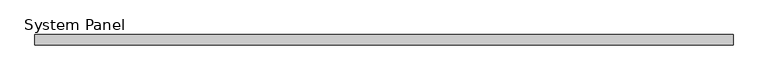
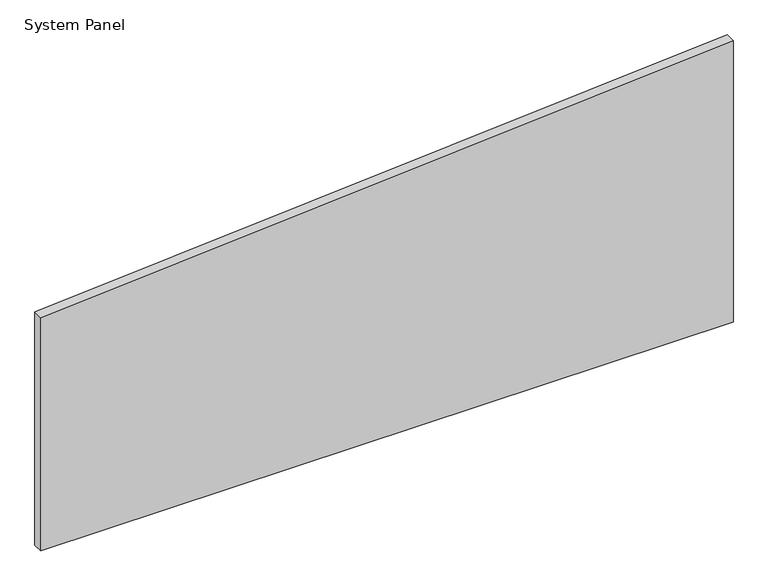
"""IFC4 building model written with IfcOpenShell, lengths in millimetres: plate geometry, System Panel."""

from ifc_helpers import new_model, si_unit, frame, origin, place, context, project, spatial, polyline, outline, extrude, source, transform, mapped, element, save


def system_panel_e1b9ec5f(model_context):
    return source(origin(), model_context, "Body", "SweptSolid", [
        extrude(outline(polyline([(0.0, -668.2239754), (0.0, 668.2239754), (574.4154637, 668.2239754), (476.0464353, -668.2239754), (0.0, -668.2239754)])), frame((0.0, -10.0, 0.0), z_axis=(0.0, 1.0, 0.0), x_axis=(0.0, 0.0, 1.0)), (0.0, 0.0, 1.0), 20.0),
    ])


if __name__ == "__main__":
    model = new_model("IFC4")
    model_context = context("Model", 3, world=origin())
    ifc_project = project(units=[si_unit("LENGTHUNIT", "METRE", prefix="MILLI")], contexts=[model_context])
    site = spatial("IfcSite", under=ifc_project)
    building = spatial("IfcBuilding", under=site)
    placement = place(None, origin())
    system_panel_shape = system_panel_e1b9ec5f(model_context)
    element("IfcPlate", 1, ObjectType="System Panel", at=placement, inside=building, context=model_context, shape_type="MappedRepresentation", body=[
        mapped(system_panel_shape, transform((0.0, 0.0, 0.0), x_axis=(1.0, 0.0, 0.0), y_axis=(0.0, 1.0, 0.0), z_axis=(0.0, 0.0, 1.0))),
    ])
    save(model, "model.ifc")
